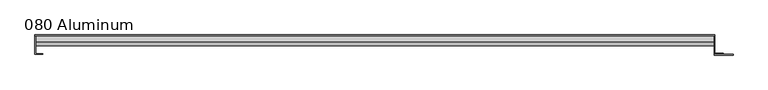
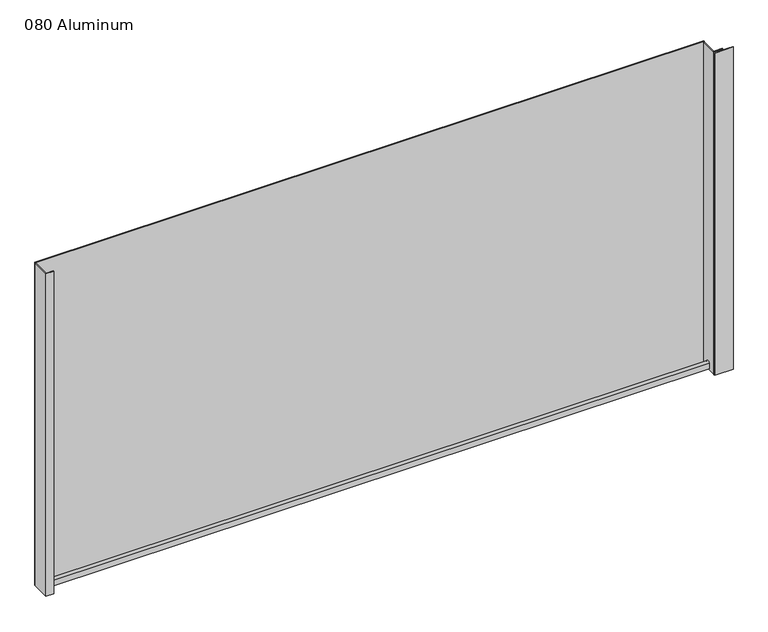
"""IFC4 building model written with IfcOpenShell, lengths in millimetres: plate geometry, 080 Aluminum."""

from ifc_helpers import new_model, si_unit, point, frame, frame_2d, origin, origin_with_axes, place, context, project, spatial, polyline, circle_curve, trimmed, segment, composite_curve, outline, extrude, source, transform, mapped, element, save


def plate_080_aluminum_d89841f3(model_context):
    return source(origin(), model_context, "Body", "SweptSolid", [
        extrude(outline(polyline([(-614.68, 2.5660257), (-601.7894994, 2.5660257), (-601.7894994, 1.2699999), (-615.9499999, 1.2699999), (-615.9499999, 34.7980001), (-614.68, 34.7980001), (-614.68, 2.5660257)])), origin_with_axes(), (0.0, 0.0, 1.0), 621.03),
        extrude(outline(composite_curve([segment(trimmed(circle_curve(frame_2d((19.8514743, 13.124237)), 3.175), [point((16.6765477, 13.1458337))], [point((23.0264743, 13.124237))], False, "CARTESIAN"), True, "CONTINUOUS"), segment(polyline([(23.0264743, 13.124237), (23.0264743, 1.2693678), (34.7980002, 1.2693678), (34.7980002, 0.0), (21.7564743, 0.0), (21.7564743, 13.124237)]), True, "CONTINUOUS"), segment(trimmed(circle_curve(frame_2d((19.8514743, 13.124237)), 1.905), [point((21.7564743, 13.124237))], [point((17.9464915, 13.1323356))], True, "CARTESIAN"), True, "CONTINUOUS"), segment(polyline([(17.9464915, 13.1323356), (17.9464915, 2.786437), (16.6765477, 2.786437), (16.6765477, 13.1458337)]), True, "CONTINUOUS")], self_intersect=False)), frame((-614.68, 0.0, 0.0), z_axis=(1.0, 0.0, 0.0), x_axis=(0.0, 1.0, 0.0)), (0.0, 0.0, 1.0), 1216.66),
        extrude(outline(polyline([(-615.95, 36.068), (603.25, 36.068), (603.25, 34.7980001), (-615.95, 34.7980001), (-615.95, 36.068)])), origin_with_axes(), (0.0, 0.0, 1.0), 622.3),
        extrude(outline(polyline([(603.25, 1.2699999), (635.7620856, 1.2699999), (635.7620856, 0.0), (601.9800001, 0.0), (601.9800001, 34.7980002), (603.25, 34.7980002), (603.25, 1.2699999)])), origin_with_axes(), (0.0, 0.0, 1.0), 621.03),
        extrude(outline(polyline([(601.98, 3.3274743), (617.7279999, 3.3274743), (617.7279999, 2.0574743), (601.98, 2.0574743), (601.98, 3.3274743)])), origin_with_axes(), (0.0, 0.0, 1.0), 622.3),
    ])


if __name__ == "__main__":
    model = new_model("IFC4")
    model_context = context("Model", 3, world=origin())
    ifc_project = project(units=[si_unit("LENGTHUNIT", "METRE", prefix="MILLI")], contexts=[model_context])
    site = spatial("IfcSite", under=ifc_project)
    building = spatial("IfcBuilding", under=site)
    placement = place(None, origin())
    plate_080_aluminum_shape = plate_080_aluminum_d89841f3(model_context)
    element("IfcPlate", 1, ObjectType="080 Aluminum", at=placement, inside=building, context=model_context, shape_type="MappedRepresentation", body=[
        mapped(plate_080_aluminum_shape, transform((0.0, 0.0, 0.0), x_axis=(1.0, 0.0, 0.0), y_axis=(0.0, 1.0, 0.0), z_axis=(0.0, 0.0, 1.0))),
    ])
    save(model, "model.ifc")
